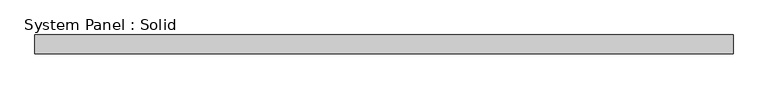
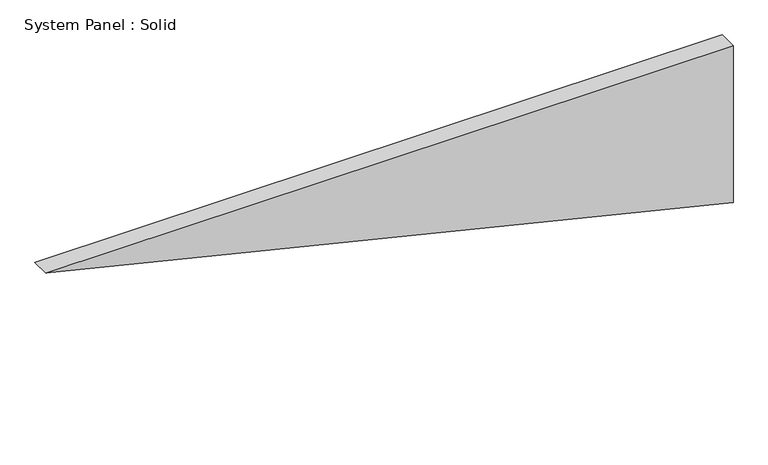
"""IFC4 building model written with IfcOpenShell, lengths in millimetres: plate geometry, System Panel : Solid."""

from ifc_helpers import new_model, si_unit, frame, origin, place, context, project, spatial, polyline, outline, extrude, source, transform, mapped, element, save


def system_panel_solid_71ed3679(model_context):
    return source(origin(), model_context, "Body", "SweptSolid", [
        extrude(outline(polyline([(539.5506123, -1116.5425929), (0.0, 1116.5425929), (539.5506123, 1116.5425929), (539.5506123, -1116.5425929)])), frame((0.0, -10.5, 0.0), z_axis=(0.0, 1.0, 0.0), x_axis=(0.0, 0.0, 1.0)), (0.0, 0.0, 1.0), 60.0),
    ])


if __name__ == "__main__":
    model = new_model("IFC4")
    model_context = context("Model", 3, world=origin())
    ifc_project = project(units=[si_unit("LENGTHUNIT", "METRE", prefix="MILLI")], contexts=[model_context])
    site = spatial("IfcSite", under=ifc_project)
    building = spatial("IfcBuilding", under=site)
    placement = place(None, origin())
    system_panel_solid_shape = system_panel_solid_71ed3679(model_context)
    element("IfcPlate", 1, ObjectType="System Panel : Solid", at=placement, inside=building, context=model_context, shape_type="MappedRepresentation", body=[
        mapped(system_panel_solid_shape, transform((0.0, 0.0, 0.0), x_axis=(1.0, 0.0, 0.0), y_axis=(0.0, 1.0, 0.0), z_axis=(0.0, 0.0, 1.0))),
    ])
    save(model, "model.ifc")
